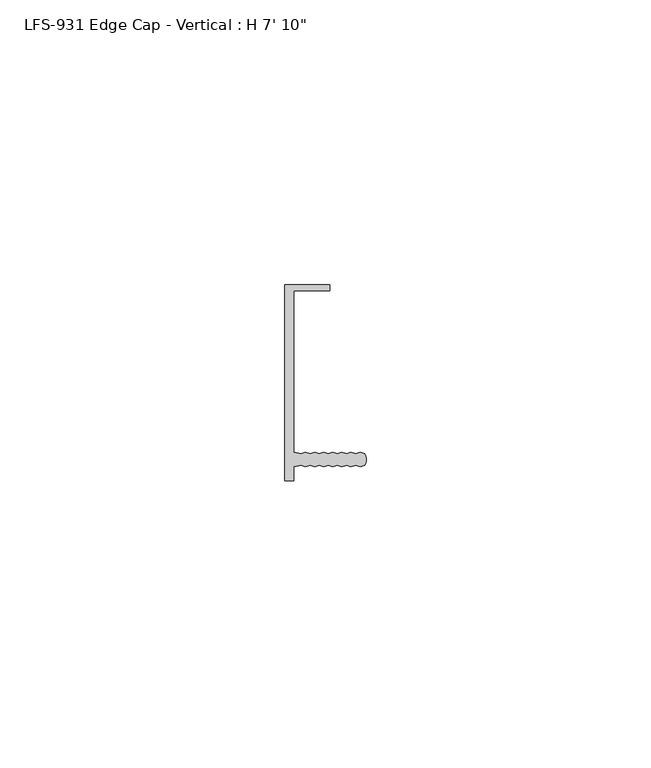
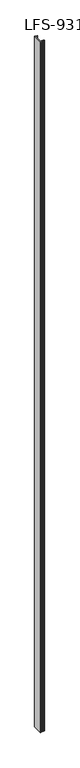
"""IFC4 building model written with IfcOpenShell, lengths in millimetres: proxy geometry."""

import ifcopenshell
import ifcopenshell.guid

model = None  # the IFC model being written
_history = None  # IfcOwnerHistory: only IFC2X3 demands one
_inside = {}  # id of a spatial element -> (the spatial element, [elements in it])
_under = {}  # id of a project, library or spatial element -> (it, [spatial elements below it])
_declared = {}  # id of a project -> (the project, [libraries it declares])
_typed = {}  # id of a type object -> (the type object, [elements of that type])
_made_of = {}  # id of a material, layer set ... -> (it, [elements and type objects made of it])


def new_model(schema):
    """Start an empty IFC model of exactly this schema.

    Asked for "IFC4X3", IfcOpenShell would pick the latest addendum, in which some entities
    have other attributes; the version numbers below select the first issue.
    IFC2X3 requires an IfcOwnerHistory on every rooted entity: one is made here for all.
    """
    global model, _history
    if schema == "IFC4X3":
        model = ifcopenshell.file(schema_version=(4, 3, 0, 0))
    else:
        model = ifcopenshell.file(schema=schema)
    _inside.clear()
    _under.clear()
    _declared.clear()
    _typed.clear()
    _made_of.clear()
    _history = None
    if model.schema == "IFC2X3":
        org = make("IfcOrganization", Name="unknown")
        user = make(
            "IfcPersonAndOrganization",
            ThePerson=make("IfcPerson", FamilyName="unknown"),
            TheOrganization=org,
        )
        app = make(
            "IfcApplication",
            ApplicationDeveloper=org,
            Version="unknown",
            ApplicationFullName="unknown",
            ApplicationIdentifier="unknown",
        )
        _history = make(
            "IfcOwnerHistory",
            OwningUser=user,
            OwningApplication=app,
            ChangeAction="ADDED",
            CreationDate=0,
        )
    return model


def make(cls, **values):
    """One entity of the class cls with the attributes given. An attribute that is None is left unset."""
    return model.create_entity(
        cls, **{name: value for name, value in values.items() if value is not None}
    )


def rooted(cls, **values):
    """An entity with a GlobalId (a new one), such as an element, a storey or a relation."""
    return make(cls, GlobalId=ifcopenshell.guid.new(), OwnerHistory=_history, **values)


def si_unit(unit_type, name, prefix=None):
    """IfcSIUnit, for example si_unit("LENGTHUNIT", "METRE", prefix="MILLI")."""
    return make("IfcSIUnit", UnitType=unit_type, Prefix=prefix, Name=name)


def assignment(units):
    """IfcUnitAssignment: the units of a project."""
    return None if units is None else make("IfcUnitAssignment", Units=units)


def point(xyz):
    """IfcCartesianPoint."""
    return None if xyz is None else make("IfcCartesianPoint", Coordinates=xyz)


def direction(xyz):
    """IfcDirection."""
    return None if xyz is None else make("IfcDirection", DirectionRatios=xyz)


def frame(location, z_axis=None, x_axis=None):
    """IfcAxis2Placement3D, a coordinate frame: its origin and axes. An axis left out is left unset."""
    return make(
        "IfcAxis2Placement3D",
        Location=point(location),
        Axis=direction(z_axis),
        RefDirection=direction(x_axis),
    )


def frame_2d(location, x_axis=None):
    """IfcAxis2Placement2D, a coordinate frame in the plane: its origin and x axis."""
    return make(
        "IfcAxis2Placement2D", Location=point(location), RefDirection=direction(x_axis)
    )


def origin():
    """The frame at (0, 0, 0) with its axes left unset."""
    return frame((0.0, 0.0, 0.0))


def origin_with_axes():
    """The frame at (0, 0, 0) with the z axis (0, 0, 1) and the x axis (1, 0, 0) written out."""
    return frame((0.0, 0.0, 0.0), z_axis=(0.0, 0.0, 1.0), x_axis=(1.0, 0.0, 0.0))


def place(relative_to, where):
    """IfcLocalPlacement: puts the frame where relative to a parent placement (None: the world)."""
    return make(
        "IfcLocalPlacement", PlacementRelTo=relative_to, RelativePlacement=where
    )


def context(
    kind, dimensions, precision=None, world=None, true_north=None, identifier=None
):
    """IfcGeometricRepresentationContext, for example the 3D "Model" context."""
    return make(
        "IfcGeometricRepresentationContext",
        ContextIdentifier=identifier,
        ContextType=kind,
        CoordinateSpaceDimension=dimensions,
        Precision=precision,
        WorldCoordinateSystem=world,
        TrueNorth=true_north,
    )


def project(units=None, contexts=None):
    """IfcProject with its units and contexts."""
    return rooted(
        "IfcProject",
        Name="project",
        RepresentationContexts=contexts,
        UnitsInContext=assignment(units),
    )


def spatial(cls, under=None, at=None, **own):
    """A site, building, storey or space (cls), placed at a placement, below another one or the project."""
    s = rooted(cls, ObjectPlacement=at, **own)
    if under is not None:
        _under.setdefault(under.id(), (under, []))[1].append(s)
    return s


def polyline(points):
    """IfcPolyline through the points."""
    return make("IfcPolyline", Points=[point(p) for p in points])


def circle_curve(where, radius):
    """IfcCircle in the frame where."""
    return make("IfcCircle", Position=where, Radius=radius)


def trimmed(basis, trim1, trim2, sense, master):
    """IfcTrimmedCurve: the piece of a basis curve between two trims."""
    return make(
        "IfcTrimmedCurve",
        BasisCurve=basis,
        Trim1=trim1,
        Trim2=trim2,
        SenseAgreement=sense,
        MasterRepresentation=master,
    )


def segment(curve, same_sense, transition):
    """IfcCompositeCurveSegment."""
    return make(
        "IfcCompositeCurveSegment",
        Transition=transition,
        SameSense=same_sense,
        ParentCurve=curve,
    )


def composite_curve(segments, self_intersect=None):
    """IfcCompositeCurve: segments joined end to end."""
    return make("IfcCompositeCurve", Segments=segments, SelfIntersect=self_intersect)


def outline(outer, holes=None, kind="AREA"):
    """IfcArbitraryClosedProfileDef: a profile drawn as a closed curve; with holes, ...WithVoids."""
    if holes is None:
        return make("IfcArbitraryClosedProfileDef", ProfileType=kind, OuterCurve=outer)
    return make(
        "IfcArbitraryProfileDefWithVoids",
        ProfileType=kind,
        OuterCurve=outer,
        InnerCurves=holes,
    )


def extrude(swept, where, along, depth):
    """IfcExtrudedAreaSolid: the profile swept, set in the frame where, extruded along a direction by depth."""
    return make(
        "IfcExtrudedAreaSolid",
        SweptArea=swept,
        Position=where,
        ExtrudedDirection=direction(along),
        Depth=depth,
    )


def shape(context_of_items, identifier, shape_type, items):
    """IfcShapeRepresentation: the items that make up one representation, for example the "Body"."""
    return make(
        "IfcShapeRepresentation",
        ContextOfItems=context_of_items,
        RepresentationIdentifier=identifier,
        RepresentationType=shape_type,
        Items=items,
    )


def source(mapping_origin, context_of_items, identifier, shape_type, items):
    """IfcRepresentationMap: a shape defined once, which mapped items show again and again."""
    return make(
        "IfcRepresentationMap",
        MappingOrigin=mapping_origin,
        MappedRepresentation=shape(context_of_items, identifier, shape_type, items),
    )


def transform(
    local_origin,
    x_axis=None,
    y_axis=None,
    z_axis=None,
    scale=None,
    scale2=None,
    scale3=None,
    uniform=True,
):
    """IfcCartesianTransformationOperator3D, or its non-uniform kind. x_axis, y_axis, z_axis: its Axis1, 2, 3."""
    if uniform:
        return make(
            "IfcCartesianTransformationOperator3D",
            Axis1=direction(x_axis),
            Axis2=direction(y_axis),
            LocalOrigin=point(local_origin),
            Scale=scale,
            Axis3=direction(z_axis),
        )
    return make(
        "IfcCartesianTransformationOperator3DnonUniform",
        Axis1=direction(x_axis),
        Axis2=direction(y_axis),
        LocalOrigin=point(local_origin),
        Scale=scale,
        Axis3=direction(z_axis),
        Scale2=scale2,
        Scale3=scale3,
    )


def mapped(mapping_source, mapping_target):
    """IfcMappedItem: shows the shape of a source again, moved by a transform."""
    return make(
        "IfcMappedItem", MappingSource=mapping_source, MappingTarget=mapping_target
    )


def made_of(thing, what):
    """Note that an element or type object is made of a material, layer set ...; save() writes the relation."""
    if what is not None:
        _made_of.setdefault(what.id(), (what, []))[1].append(thing)
    return thing


def element(
    cls,
    number,
    at=None,
    inside=None,
    cuts=None,
    type_object=None,
    material=None,
    context=None,
    identifier="Body",
    shape_type=None,
    held_by="IfcProductDefinitionShape",
    body=None,
    shapes=None,
    **own,
):
    """One element of the class cls, such as IfcWall. Its Tag is "e" and its number.

    at: its placement. inside: the storey or other place that contains it. cuts: it is an
    opening in that element (IfcRelVoidsElement). A single representation is given by context,
    identifier, shape_type and body (its items); several are given by shapes. held_by: the class
    of the entity that holds the representations. save() writes the other relations.
    """
    e = rooted(cls, Tag="e%d" % number, ObjectPlacement=at, **own)
    if body is not None:
        shapes = [shape(context, identifier, shape_type, body)]
    if shapes is not None:
        e.Representation = make(held_by, Representations=shapes)
    if inside is not None:
        _inside.setdefault(inside.id(), (inside, []))[1].append(e)
    if cuts is not None:
        rooted(
            "IfcRelVoidsElement", RelatingBuildingElement=cuts, RelatedOpeningElement=e
        )
    if type_object is not None:
        _typed.setdefault(type_object.id(), (type_object, []))[1].append(e)
    return made_of(e, material)


def aggregate(whole, parts):
    """IfcRelAggregates: a whole, such as a stair, and the parts it consists of."""
    return rooted("IfcRelAggregates", RelatingObject=whole, RelatedObjects=parts)


def save(model, path):
    """Write the relations noted so far, then the file.

    IfcRelAggregates (storeys below a building ...), IfcRelContainedInSpatialStructure (elements
    in a storey), IfcRelDefinesByType, IfcRelAssociatesMaterial and IfcRelDeclares: one each for
    every whole, place, type object, material and project.
    """
    for whole, parts in _under.values():
        aggregate(whole, parts)
    for where, things in _inside.values():
        rooted(
            "IfcRelContainedInSpatialStructure",
            RelatedElements=things,
            RelatingStructure=where,
        )
    for kind, things in _typed.values():
        rooted("IfcRelDefinesByType", RelatedObjects=things, RelatingType=kind)
    for what, things in _made_of.values():
        rooted("IfcRelAssociatesMaterial", RelatedObjects=things, RelatingMaterial=what)
    for by, libraries in _declared.values():
        rooted("IfcRelDeclares", RelatingContext=by, RelatedDefinitions=libraries)
    model.write(path)


def proxy_0d03ab99(model_context):
    return source(origin(), model_context, "Body", "SweptSolid", [
        extrude(outline(composite_curve([segment(polyline([(6.9755505, -14.5053844), (6.1594734, -14.7594051), (5.3777354, -14.5054249), (4.5616583, -14.7594456), (3.7799202, -14.5054654), (2.9638431, -14.7594861), (2.1821051, -14.5055059), (1.366028, -14.7595266), (0.5842899, -14.5055464), (-0.2317872, -14.759567), (-1.0135252, -14.5055869), (-1.8296023, -14.7596075), (-2.6113404, -14.5056273), (-3.4274175, -14.759648), (-4.2091555, -14.5056678), (-5.470443, -14.7596998), (-5.470381, -17.2096037), (-7.057881, -17.2096439), (-7.0587531, 17.2124361), (0.8787469, 17.2126372), (0.8787744, 16.1280572), (-5.4712256, 16.1278963), (-5.4705074, -12.2196998), (-4.209207, -12.4736678), (-3.4274818, -12.219648), (-2.6113918, -12.4736273), (-1.8296667, -12.2196075), (-1.0135767, -12.4735869), (-0.2318515, -12.219567), (0.5842384, -12.4735464), (1.3659636, -12.2195266), (2.1820536, -12.4735059), (2.9637788, -12.2194861), (3.7798687, -12.4734654), (4.5615939, -12.2194456), (5.3776839, -12.4734249), (6.1594091, -12.2194051), (6.975499, -12.4733844)]), True, "CONTINUOUS"), segment(trimmed(circle_curve(frame_2d((5.0970263, -13.489432)), 2.1356527), [point((6.975499, -12.4733844))], [point((6.9755505, -14.5053844))], False, "CARTESIAN"), True, "CONTINUOUS")], self_intersect=False)), origin_with_axes(), (0.0, 0.0, 1.0), 2387.6),
    ])


if __name__ == "__main__":
    model = new_model("IFC4")
    model_context = context("Model", 3, world=origin())
    ifc_project = project(units=[si_unit("LENGTHUNIT", "METRE", prefix="MILLI")], contexts=[model_context])
    site = spatial("IfcSite", under=ifc_project)
    building = spatial("IfcBuilding", under=site)
    placement = place(None, origin())
    proxy_shape = proxy_0d03ab99(model_context)
    element("IfcBuildingElementProxy", 1, Name="LFS-931 Edge Cap - Vertical : H 7' 10\"", ObjectType="LFS-931 Edge Cap - Vertical : H 7' 10\"", at=placement, inside=building, context=model_context, shape_type="MappedRepresentation", body=[
        mapped(proxy_shape, transform((0.0, 0.0, 0.0), x_axis=(1.0, 0.0, 0.0), y_axis=(0.0, 1.0, 0.0), z_axis=(0.0, 0.0, 1.0))),
    ])
    save(model, "model.ifc")
